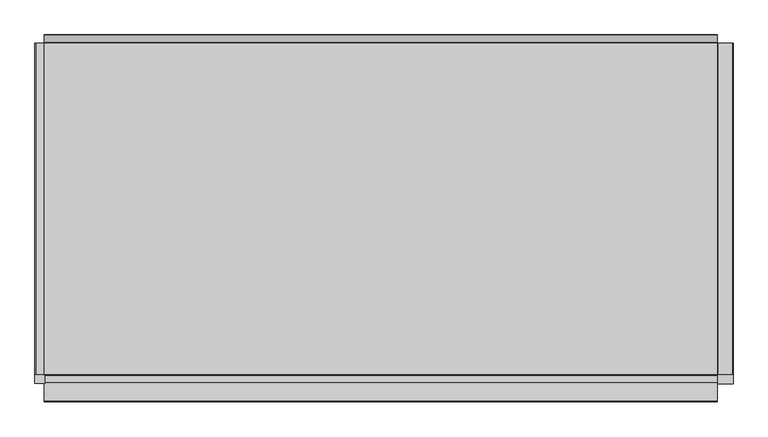
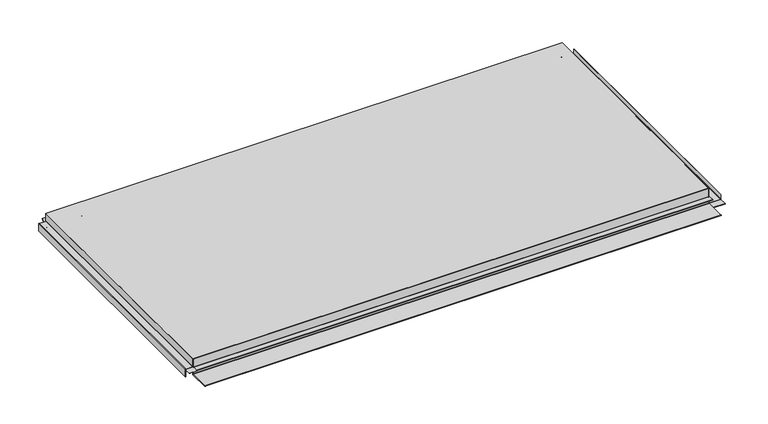
"""IFC4 building model written with IfcOpenShell, lengths in millimetres: proxy geometry."""

from ifc_helpers import new_model, si_unit, point, frame, frame_2d, origin, place, context, project, spatial, polyline, circle_curve, trimmed, segment, composite_curve, outline, extrude, faceted_brep, source, transform, mapped, element, save


def generic_models_5e8ba5c3(model_context):
    return source(origin(), model_context, "Body", "SolidModel", [
        extrude(outline(composite_curve([segment(trimmed(circle_curve(frame_2d((17.2, -533.5)), 1.3), [point((15.9, -533.5))], [point((17.2, -532.2))], False, "CARTESIAN"), True, "CONTINUOUS"), segment(polyline([(17.2, -532.2), (33.33125, -532.2), (33.33125, -533.0), (17.2, -533.0)]), True, "CONTINUOUS"), segment(trimmed(circle_curve(frame_2d((17.2, -533.5)), 0.5), [point((17.2, -533.0))], [point((16.7, -533.5))], True, "CARTESIAN"), True, "CONTINUOUS"), segment(polyline([(16.7, -533.5), (16.7, -546.7)]), True, "CONTINUOUS"), segment(trimmed(circle_curve(frame_2d((15.4, -546.7)), 1.3), [point((16.7, -546.7))], [point((15.4, -548.0))], False, "CARTESIAN"), True, "CONTINUOUS"), segment(polyline([(15.4, -548.0), (0.33125, -548.0), (0.33125, -547.2), (15.4, -547.2)]), True, "CONTINUOUS"), segment(trimmed(circle_curve(frame_2d((15.4, -546.7)), 0.5), [point((15.4, -547.2))], [point((15.9, -546.7))], True, "CARTESIAN"), True, "CONTINUOUS"), segment(polyline([(15.9, -546.7), (15.9, -533.5)]), True, "CONTINUOUS")], self_intersect=False)), frame((0.0, -262.5, 0.0), z_axis=(0.0, 1.0, 0.0), x_axis=(0.0, 0.0, 1.0)), (0.0, 0.0, 1.0), 525.0),
        extrude(outline(polyline([(-548.0, -276.5), (-548.0, -262.5), (-532.2, -262.5), (-532.2, -276.5), (-548.0, -276.5)])), frame((0.0, 0.0, 15.9), z_axis=(0.0, 0.0, 1.0), x_axis=(1.0, 0.0, 0.0)), (0.0, 0.0, 1.0), 0.8),
        extrude(outline(composite_curve([segment(trimmed(circle_curve(frame_2d((1.63125, 556.4)), 1.3), [point((0.33125, 556.4))], [point((1.63125, 557.7))], False, "CARTESIAN"), True, "CONTINUOUS"), segment(polyline([(1.63125, 557.7), (11.33125, 557.7), (11.33125, 556.9), (1.63125, 556.9)]), True, "CONTINUOUS"), segment(trimmed(circle_curve(frame_2d((1.63125, 556.4)), 0.5), [point((1.63125, 556.9))], [point((1.13125, 556.4))], True, "CARTESIAN"), True, "CONTINUOUS"), segment(polyline([(1.13125, 556.4), (1.13125, 533.5)]), True, "CONTINUOUS"), segment(trimmed(circle_curve(frame_2d((1.63125, 533.5)), 0.5), [point((1.13125, 533.5))], [point((1.63125, 533.0))], True, "CARTESIAN"), True, "CONTINUOUS"), segment(polyline([(1.63125, 533.0), (33.33125, 533.0), (33.33125, 532.2), (1.63125, 532.2)]), True, "CONTINUOUS"), segment(trimmed(circle_curve(frame_2d((1.63125, 533.5)), 1.3), [point((1.63125, 532.2))], [point((0.33125, 533.5))], False, "CARTESIAN"), True, "CONTINUOUS"), segment(polyline([(0.33125, 533.5), (0.33125, 556.4)]), True, "CONTINUOUS")], self_intersect=False)), frame((0.0, -262.5, 0.0), z_axis=(0.0, 1.0, 0.0), x_axis=(0.0, 0.0, 1.0)), (0.0, 0.0, 1.0), 525.0),
        extrude(outline(polyline([(557.7, -277.5), (532.2, -277.5), (532.2, -262.5), (557.7, -262.5), (557.7, -277.5)])), frame((0.0, 0.0, 0.33125), z_axis=(0.0, 0.0, 1.0), x_axis=(1.0, 0.0, 0.0)), (0.0, 0.0, 1.0), 0.8),
        extrude(outline(composite_curve([segment(polyline([(-263.0, 0.0), (-305.15, 0.0)]), True, "CONTINUOUS"), segment(trimmed(circle_curve(frame_2d((-305.15, 0.85)), 0.85), [point((-305.15, 0.0))], [point((-305.15, 1.7))], False, "CARTESIAN"), True, "CONTINUOUS"), segment(polyline([(-305.15, 1.7), (-264.05, 1.7)]), True, "CONTINUOUS"), segment(trimmed(circle_curve(frame_2d((-264.05, 2.2)), 0.5), [point((-264.05, 1.7))], [point((-263.55, 2.2))], True, "CARTESIAN"), True, "CONTINUOUS"), segment(polyline([(-263.55, 2.2), (-263.55, 15.4)]), True, "CONTINUOUS"), segment(trimmed(circle_curve(frame_2d((-264.05, 15.4)), 0.5), [point((-263.55, 15.4))], [point((-264.05, 15.9))], True, "CARTESIAN"), True, "CONTINUOUS"), segment(polyline([(-264.05, 15.9), (-275.15, 15.9), (-275.15, 16.7), (-264.05, 16.7)]), True, "CONTINUOUS"), segment(trimmed(circle_curve(frame_2d((-264.05, 15.4)), 1.3), [point((-264.05, 16.7))], [point((-262.75, 15.4))], False, "CARTESIAN"), True, "CONTINUOUS"), segment(polyline([(-262.75, 15.4), (-262.75, 2.4014965)]), True, "CONTINUOUS"), segment(trimmed(circle_curve(frame_2d((-264.05, 2.4014965)), 1.3), [point((-262.75, 2.4014965))], [point((-264.05, 1.1014965))], False, "CARTESIAN"), True, "CONTINUOUS"), segment(polyline([(-264.05, 1.1014965), (-304.3115501, 1.1014965)]), True, "CONTINUOUS"), segment(trimmed(circle_curve(frame_2d((-304.3115501, 0.699934)), 0.4015625), [point((-304.3115501, 1.1014965))], [point((-304.3115501, 0.2983715))], True, "CARTESIAN"), True, "CONTINUOUS"), segment(polyline([(-304.3115501, 0.2983715), (-263.0, 0.2983715)]), True, "CONTINUOUS"), segment(trimmed(circle_curve(frame_2d((-263.0, 0.7983715)), 0.5), [point((-263.0, 0.2983715))], [point((-262.5, 0.7983715))], True, "CARTESIAN"), True, "CONTINUOUS"), segment(polyline([(-262.5, 0.7983715), (-262.5, 33.0), (-261.7, 33.0), (-261.7, 1.3)]), True, "CONTINUOUS"), segment(trimmed(circle_curve(frame_2d((-263.0, 1.3)), 1.3), [point((-261.7, 1.3))], [point((-263.0, 0.0))], False, "CARTESIAN"), True, "CONTINUOUS")], self_intersect=False)), frame((-533.0, 0.0, 0.0), z_axis=(1.0, 0.0, 0.0), x_axis=(0.0, 1.0, 0.0)), (0.0, 0.0, 1.0), 1066.0),
        extrude(outline(composite_curve([segment(trimmed(circle_curve(frame_2d((263.0, 3.3)), 0.5), [point((262.5, 3.3))], [point((263.4778194, 3.4472706))], True, "CARTESIAN"), True, "CONTINUOUS"), segment(polyline([(263.4778194, 3.4472706), (275.3707904, 15.3402417), (275.9627491, 14.748283), (264.2783838, 3.0639176)]), True, "CONTINUOUS"), segment(trimmed(circle_curve(frame_2d((263.0, 3.3)), 1.3), [point((264.2783838, 3.0639176))], [point((261.7, 3.3))], False, "CARTESIAN"), True, "CONTINUOUS"), segment(polyline([(261.7, 3.3), (261.7, 33.0), (262.5, 33.0), (262.5, 3.3)]), True, "CONTINUOUS")], self_intersect=False)), frame((-533.0, 0.0, 0.0), z_axis=(1.0, 0.0, 0.0), x_axis=(0.0, 1.0, 0.0)), (0.0, 0.0, 1.0), 1066.0),
        faceted_brep([(-533.0, -262.5, 34.0), (533.0, -262.5, 34.0), (533.0, 262.5, 34.0), (-533.0, 262.5, 34.0), (-533.0, -262.5, 33.0), (-533.0, -261.7, 33.0), (-533.0, 262.5, 33.0), (533.0, 262.5, 33.0), (533.0, -261.7, 33.0), (533.0, -262.5, 33.0)], [[[0, 1, 2, 3]], [[4, 5, 6, 7, 8, 9]], [[3, 6, 5, 4, 0]], [[2, 7, 6, 3]], [[1, 9, 8, 7, 2]], [[0, 4, 9, 1]]]),
    ])


if __name__ == "__main__":
    model = new_model("IFC4")
    model_context = context("Model", 3, world=origin())
    ifc_project = project(units=[si_unit("LENGTHUNIT", "METRE", prefix="MILLI")], contexts=[model_context])
    site = spatial("IfcSite", under=ifc_project)
    building = spatial("IfcBuilding", under=site)
    placement = place(None, origin())
    generic_models_shape = generic_models_5e8ba5c3(model_context)
    element("IfcBuildingElementProxy", 1, Name="Generic Models", at=placement, inside=building, context=model_context, shape_type="MappedRepresentation", body=[
        mapped(generic_models_shape, transform((0.0, 0.0, 0.0), x_axis=(1.0, 0.0, 0.0), y_axis=(0.0, 1.0, 0.0), z_axis=(0.0, 0.0, 1.0))),
    ])
    save(model, "model.ifc")
